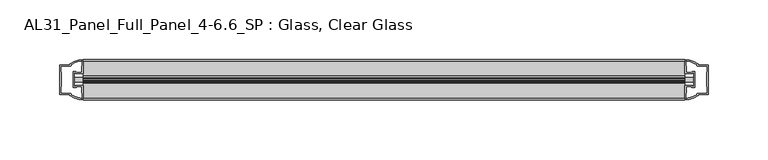
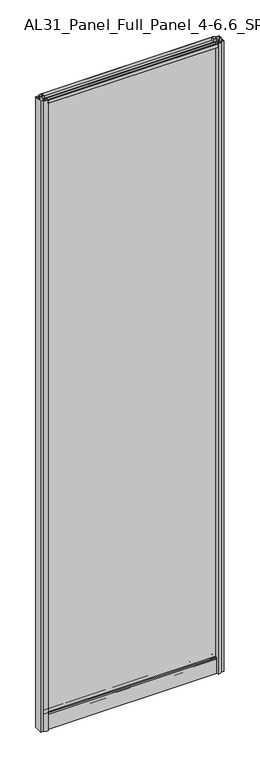
"""IFC4 building model written with IfcOpenShell, lengths in millimetres: plate geometry, AL31_Panel_Full_Panel_4-6.6_SP : Glass, Clear Glass."""

from ifc_helpers import new_model, si_unit, point, frame, frame_2d, origin, origin_with_axes, place, context, project, spatial, polyline, circle_curve, trimmed, segment, composite_curve, outline, extrude, source, transform, mapped, element, save


def al31_panel_full_panel_4_6_6_sp_glass_clear_glass_fa4102de(model_context):
    return source(origin(), model_context, "Body", "SweptSolid", [
        extrude(outline(composite_curve([segment(polyline([(-1.4, 1968.8980762), (-0.85, 1967.9454483)]), True, "CONTINUOUS"), segment(trimmed(circle_curve(frame_2d((0.1, 1966.3)), 1.9), [point((-0.85, 1967.9454483))], [point((1.05, 1967.9454483))], True, "CARTESIAN"), True, "CONTINUOUS"), segment(polyline([(1.05, 1967.9454483), (1.6, 1968.8980762)]), True, "CONTINUOUS"), segment(trimmed(circle_curve(frame_2d((0.1, 1966.3)), 3.0), [point((1.6, 1968.8980762))], [point((2.5718414, 1964.6))], False, "CARTESIAN"), True, "CONTINUOUS"), segment(polyline([(2.5718414, 1964.6), (15.7, 1964.6), (15.7, 1974.0), (17.0, 1974.0), (17.0, 1963.5), (6.7024688, 1963.5), (6.7024688, 1962.7), (6.1968782, 1960.7785039), (6.1968782, 1956.1), (5.0, 1956.1), (5.0, 1961.4339746), (5.5, 1962.3), (5.5, 1963.5), (-5.5, 1963.5), (-5.5, 1962.3), (-5.0, 1961.4339746), (-5.0, 1956.1), (-6.1968782, 1956.1), (-6.1968782, 1960.7785039), (-6.7024688, 1962.7), (-6.7024688, 1963.5), (-17.0, 1963.5), (-17.0, 1974.0), (-15.7, 1974.0), (-15.7, 1964.6), (-2.3718414, 1964.6)]), True, "CONTINUOUS"), segment(trimmed(circle_curve(frame_2d((0.1, 1966.3)), 3.0), [point((-2.3718414, 1964.6))], [point((-1.4, 1968.8980762))], False, "CARTESIAN"), True, "CONTINUOUS")], self_intersect=False)), frame((-252.0104239, 0.0, 0.0), z_axis=(1.0, 0.0, 0.0), x_axis=(0.0, 1.0, 0.0)), (0.0, 0.0, 1.0), 504.0208477),
        extrude(outline(composite_curve([segment(polyline([(-259.8518452, -5.9), (-258.6518452, -5.9), (-258.6518452, -5.0), (-252.0104239, -5.0), (-252.0104239, -17.0001453)]), True, "CONTINUOUS"), segment(trimmed(circle_curve(frame_2d((-251.6457723, 2.9965302)), 20.0), [point((-252.0104239, -17.0001453))], [point((-263.3662591, -13.2093388))], False, "CARTESIAN"), True, "CONTINUOUS"), segment(polyline([(-263.3662591, -13.2093388), (-263.3662591, -12.3279343), (-272.0104239, -12.3279343), (-272.0104239, 12.3720657), (-263.3662591, 12.3720657), (-263.3662591, 13.2095249)]), True, "CONTINUOUS"), segment(trimmed(circle_curve(frame_2d((-251.6457723, -2.9963441)), 20.0), [point((-263.3662591, 13.2095249))], [point((-252.0104239, 17.0003314))], False, "CARTESIAN"), True, "CONTINUOUS"), segment(polyline([(-252.0104239, 17.0003314), (-252.0104239, 5.0), (-258.6518452, 5.0), (-258.6518452, 5.9), (-259.8518452, 5.9), (-259.8518452, -5.9)]), True, "CONTINUOUS")], self_intersect=False), holes=[composite_curve([segment(trimmed(circle_curve(frame_2d((-258.8518452, 5.7)), 1.5), [point((-258.8518452, 7.2))], [point((-257.4965909, 6.3428731))], False, "CARTESIAN"), True, "CONTINUOUS"), segment(polyline([(-257.4965909, 6.3428731), (-253.7518452, 6.3428731), (-253.7518452, 10.939223), (-253.3125054, 11.9998832), (-253.3125054, 15.6499817)]), True, "CONTINUOUS"), segment(trimmed(circle_curve(frame_2d((-251.6457723, -2.9755921)), 18.7), [point((-253.3125054, 15.6499817))], [point((-261.65255, 12.8216987))], True, "CARTESIAN"), True, "CONTINUOUS"), segment(trimmed(circle_curve(frame_2d((-263.4518452, 12.8720657)), 1.8), [point((-261.65255, 12.8216987))], [point((-263.4518452, 11.0720657))], False, "CARTESIAN"), True, "CONTINUOUS"), segment(polyline([(-263.4518452, 11.0720657), (-270.5932665, 11.0720657), (-270.5932665, 6.5019606), (-270.1518452, 5.439223), (-270.1518452, -5.3950916), (-270.6518452, -6.3879987), (-270.6518452, -11.0279343), (-263.4518452, -11.0279343)]), True, "CONTINUOUS"), segment(trimmed(circle_curve(frame_2d((-263.4518452, -12.8279343)), 1.8), [point((-263.4518452, -11.0279343))], [point((-261.65255, -12.7775673))], False, "CARTESIAN"), True, "CONTINUOUS"), segment(trimmed(circle_curve(frame_2d((-251.6457723, 3.0197235)), 18.7), [point((-261.65255, -12.7775673))], [point((-253.3125054, -15.6058503))], True, "CARTESIAN"), True, "CONTINUOUS"), segment(polyline([(-253.3125054, -15.6058503), (-253.3125054, -11.9557518), (-253.7518452, -10.8950916), (-253.7518452, -6.2991308), (-257.4766935, -6.2991308)]), True, "CONTINUOUS"), segment(trimmed(circle_curve(frame_2d((-258.8518452, -5.7)), 1.5), [point((-257.4766935, -6.2991308))], [point((-258.8518452, -7.2))], False, "CARTESIAN"), True, "CONTINUOUS"), segment(polyline([(-258.8518452, -7.2), (-261.1518452, -7.2), (-261.1518452, 7.2), (-258.8518452, 7.2)]), True, "CONTINUOUS")], self_intersect=False)]), origin_with_axes(), (0.0, 0.0, 1.0), 1974.0),
        extrude(outline(composite_curve([segment(polyline([(259.8518452, 5.9), (258.6518452, 5.9), (258.6518452, 5.0), (252.0104239, 5.0), (252.0104239, 17.0001453)]), True, "CONTINUOUS"), segment(trimmed(circle_curve(frame_2d((251.6457723, -2.9965302)), 20.0), [point((252.0104239, 17.0001453))], [point((263.3662591, 13.2093388))], False, "CARTESIAN"), True, "CONTINUOUS"), segment(polyline([(263.3662591, 13.2093388), (263.3662591, 12.3279343), (272.0104239, 12.3279343), (272.0104239, -12.3720657), (263.3662591, -12.3720657), (263.3662591, -13.2095249)]), True, "CONTINUOUS"), segment(trimmed(circle_curve(frame_2d((251.6457723, 2.9963441)), 20.0), [point((263.3662591, -13.2095249))], [point((252.0104239, -17.0003314))], False, "CARTESIAN"), True, "CONTINUOUS"), segment(polyline([(252.0104239, -17.0003314), (252.0104239, -5.0), (258.6518452, -5.0), (258.6518452, -5.9), (259.8518452, -5.9), (259.8518452, 5.9)]), True, "CONTINUOUS")], self_intersect=False), holes=[composite_curve([segment(trimmed(circle_curve(frame_2d((258.8518452, -5.7)), 1.5), [point((258.8518452, -7.2))], [point((257.4965909, -6.3428731))], False, "CARTESIAN"), True, "CONTINUOUS"), segment(polyline([(257.4965909, -6.3428731), (253.7518452, -6.3428731), (253.7518452, -10.939223), (253.3125054, -11.9998832), (253.3125054, -15.6499817)]), True, "CONTINUOUS"), segment(trimmed(circle_curve(frame_2d((251.6457723, 2.9755921)), 18.7), [point((253.3125054, -15.6499817))], [point((261.65255, -12.8216987))], True, "CARTESIAN"), True, "CONTINUOUS"), segment(trimmed(circle_curve(frame_2d((263.4518452, -12.8720657)), 1.8), [point((261.65255, -12.8216987))], [point((263.4518452, -11.0720657))], False, "CARTESIAN"), True, "CONTINUOUS"), segment(polyline([(263.4518452, -11.0720657), (270.5932665, -11.0720657), (270.5932665, -6.5019606), (270.1518452, -5.439223), (270.1518452, 5.3950916), (270.6518452, 6.3879987), (270.6518452, 11.0279343), (263.4518452, 11.0279343)]), True, "CONTINUOUS"), segment(trimmed(circle_curve(frame_2d((263.4518452, 12.8279343)), 1.8), [point((263.4518452, 11.0279343))], [point((261.65255, 12.7775673))], False, "CARTESIAN"), True, "CONTINUOUS"), segment(trimmed(circle_curve(frame_2d((251.6457723, -3.0197235)), 18.7), [point((261.65255, 12.7775673))], [point((253.3125054, 15.6058503))], True, "CARTESIAN"), True, "CONTINUOUS"), segment(polyline([(253.3125054, 15.6058503), (253.3125054, 11.9557518), (253.7518452, 10.8950916), (253.7518452, 6.2991308), (257.4766935, 6.2991308)]), True, "CONTINUOUS"), segment(trimmed(circle_curve(frame_2d((258.8518452, 5.7)), 1.5), [point((257.4766935, 6.2991308))], [point((258.8518452, 7.2))], False, "CARTESIAN"), True, "CONTINUOUS"), segment(polyline([(258.8518452, 7.2), (261.1518452, 7.2), (261.1518452, -7.2), (258.8518452, -7.2)]), True, "CONTINUOUS")], self_intersect=False)]), origin_with_axes(), (0.0, 0.0, 1.0), 1974.0),
        extrude(outline(composite_curve([segment(trimmed(circle_curve(frame_2d((-8.4, 34.8)), 1.0), [point((-8.4, 35.8))], [point((-9.4, 34.8))], True, "CARTESIAN"), True, "CONTINUOUS"), segment(polyline([(-9.4, 34.8), (-9.4, 33.5), (-5.0000303, 33.5), (-5.0000303, 32.3), (-9.4, 32.3), (-9.4, 0.0), (-10.6, 0.0), (-10.6, 47.3)]), True, "CONTINUOUS"), segment(trimmed(circle_curve(frame_2d((-8.6, 47.3)), 2.0), [point((-10.6, 47.3))], [point((-8.6, 49.3))], False, "CARTESIAN"), True, "CONTINUOUS"), segment(polyline([(-8.6, 49.3), (-5.0, 49.3), (-5.0, 41.9), (5.0, 41.9), (5.0, 49.3), (8.6, 49.3)]), True, "CONTINUOUS"), segment(trimmed(circle_curve(frame_2d((8.6, 47.3)), 2.0), [point((8.6, 49.3))], [point((10.6, 47.3))], False, "CARTESIAN"), True, "CONTINUOUS"), segment(polyline([(10.6, 47.3), (10.6, 0.0), (9.4, 0.0), (9.4, 32.3), (4.9999697, 32.3), (4.9999697, 33.5), (9.4, 33.5), (9.4, 34.8)]), True, "CONTINUOUS"), segment(trimmed(circle_curve(frame_2d((8.4, 34.8)), 1.0), [point((9.4, 34.8))], [point((8.4, 35.8))], True, "CARTESIAN"), True, "CONTINUOUS"), segment(polyline([(8.4, 35.8), (-8.4, 35.8)]), True, "CONTINUOUS")], self_intersect=False), holes=[composite_curve([segment(trimmed(circle_curve(frame_2d((5.5024688, 41.8)), 1.0), [point((6.5024688, 41.8))], [point((5.5024688, 40.8))], False, "CARTESIAN"), True, "CONTINUOUS"), segment(polyline([(5.5024688, 40.8), (2.8008965, 40.8), (2.8008965, 39.7274194), (1.8370508, 39.7274194)]), True, "CONTINUOUS"), segment(trimmed(circle_curve(frame_2d((0.0, 38.7)), 2.1048387), [point((1.8370508, 39.7274194))], [point((-1.8370508, 39.7274194))], True, "CARTESIAN"), True, "CONTINUOUS"), segment(polyline([(-1.8370508, 39.7274194), (-2.8008965, 39.7274194), (-2.8008965, 40.8), (-5.5024688, 40.8)]), True, "CONTINUOUS"), segment(trimmed(circle_curve(frame_2d((-5.5024688, 41.8)), 1.0), [point((-5.5024688, 40.8))], [point((-6.5024688, 41.8))], False, "CARTESIAN"), True, "CONTINUOUS"), segment(polyline([(-6.5024688, 41.8), (-6.5024688, 42.7)]), True, "CONTINUOUS"), segment(trimmed(circle_curve(frame_2d((-5.3024688, 42.7)), 1.2), [point((-6.5024688, 42.7))], [point((-6.1198184, 43.5786009))], False, "CARTESIAN"), True, "CONTINUOUS"), segment(polyline([(-6.1198184, 43.5786009), (-6.1198184, 48.2), (-8.4, 48.2)]), True, "CONTINUOUS"), segment(trimmed(circle_curve(frame_2d((-8.4, 47.2)), 1.0), [point((-8.4, 48.2))], [point((-9.4, 47.2))], True, "CARTESIAN"), True, "CONTINUOUS"), segment(polyline([(-9.4, 47.2), (-9.4, 37.04), (-2.8008965, 37.04), (-2.8008965, 38.0725806), (-1.8370508, 38.0725806)]), True, "CONTINUOUS"), segment(trimmed(circle_curve(frame_2d((0.0, 39.1)), 2.1048387), [point((-1.8370508, 38.0725806))], [point((1.8370508, 38.0725806))], True, "CARTESIAN"), True, "CONTINUOUS"), segment(polyline([(1.8370508, 38.0725806), (2.8008965, 38.0725806), (2.8008965, 37.04), (9.4, 37.04), (9.4, 47.2)]), True, "CONTINUOUS"), segment(trimmed(circle_curve(frame_2d((8.4, 47.2)), 1.0), [point((9.4, 47.2))], [point((8.4, 48.2))], True, "CARTESIAN"), True, "CONTINUOUS"), segment(polyline([(8.4, 48.2), (6.1198184, 48.2), (6.1198184, 43.7786009)]), True, "CONTINUOUS"), segment(trimmed(circle_curve(frame_2d((5.3024688, 42.9)), 1.2), [point((6.1198184, 43.7786009))], [point((6.5024688, 42.9))], False, "CARTESIAN"), True, "CONTINUOUS"), segment(polyline([(6.5024688, 42.9), (6.5024688, 41.8)]), True, "CONTINUOUS")], self_intersect=False)]), frame((-252.0104239, 0.0, 0.0), z_axis=(1.0, 0.0, 0.0), x_axis=(0.0, 1.0, 0.0)), (0.0, 0.0, 1.0), 504.0208477),
        extrude(outline(polyline([(259.8518452, 2.0), (259.8518452, -2.0), (-259.8518452, -2.0), (-259.8518452, 2.0), (259.8518452, 2.0)])), frame((0.0, 0.0, 41.9), z_axis=(0.0, 0.0, 1.0), x_axis=(1.0, 0.0, 0.0)), (0.0, 0.0, 1.0), 1921.6),
    ])


if __name__ == "__main__":
    model = new_model("IFC4")
    model_context = context("Model", 3, world=origin())
    ifc_project = project(units=[si_unit("LENGTHUNIT", "METRE", prefix="MILLI")], contexts=[model_context])
    site = spatial("IfcSite", under=ifc_project)
    building = spatial("IfcBuilding", under=site)
    placement = place(None, origin())
    al31_panel_full_panel_4_6_6_sp_glass_clear_glass_shape = al31_panel_full_panel_4_6_6_sp_glass_clear_glass_fa4102de(model_context)
    element("IfcPlate", 1, ObjectType="AL31_Panel_Full_Panel_4-6.6_SP : Glass, Clear Glass", at=placement, inside=building, context=model_context, shape_type="MappedRepresentation", body=[
        mapped(al31_panel_full_panel_4_6_6_sp_glass_clear_glass_shape, transform((0.0, 0.0, 0.0), x_axis=(1.0, 0.0, 0.0), y_axis=(0.0, 1.0, 0.0), z_axis=(0.0, 0.0, 1.0))),
    ])
    save(model, "model.ifc")
